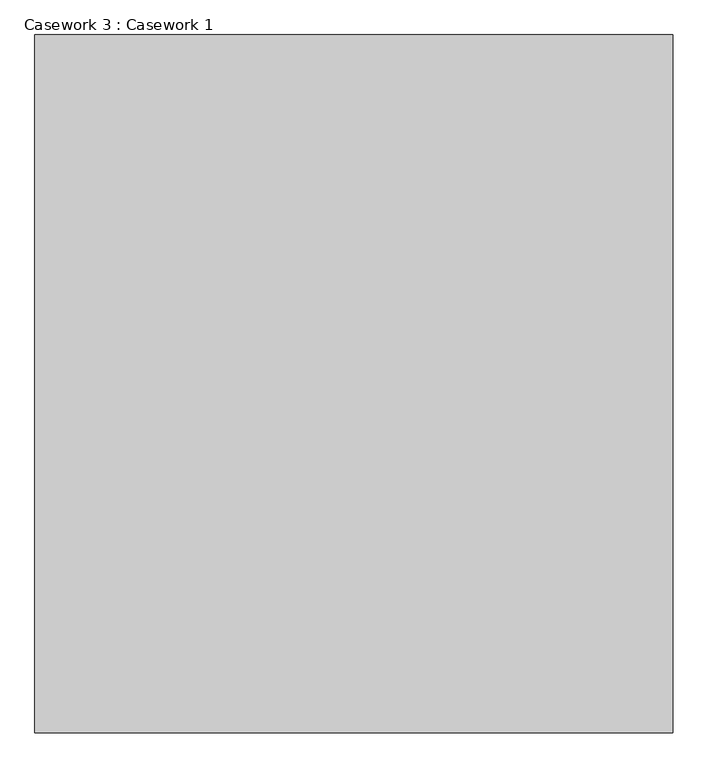
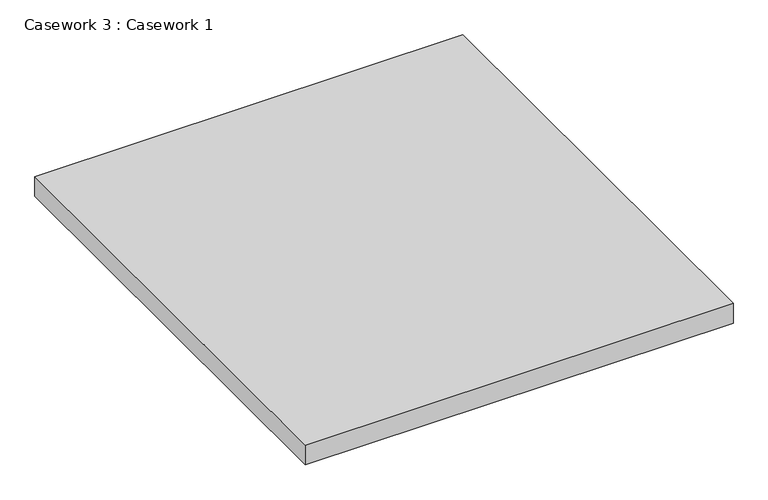
"""IFC4 building model written with IfcOpenShell, lengths in millimetres: furniture geometry, Casework 3 : Casework 1."""

import ifcopenshell
import ifcopenshell.guid

model = None  # the IFC model being written
_history = None  # IfcOwnerHistory: only IFC2X3 demands one
_inside = {}  # id of a spatial element -> (the spatial element, [elements in it])
_under = {}  # id of a project, library or spatial element -> (it, [spatial elements below it])
_declared = {}  # id of a project -> (the project, [libraries it declares])
_typed = {}  # id of a type object -> (the type object, [elements of that type])
_made_of = {}  # id of a material, layer set ... -> (it, [elements and type objects made of it])


def new_model(schema):
    """Start an empty IFC model of exactly this schema.

    Asked for "IFC4X3", IfcOpenShell would pick the latest addendum, in which some entities
    have other attributes; the version numbers below select the first issue.
    IFC2X3 requires an IfcOwnerHistory on every rooted entity: one is made here for all.
    """
    global model, _history
    if schema == "IFC4X3":
        model = ifcopenshell.file(schema_version=(4, 3, 0, 0))
    else:
        model = ifcopenshell.file(schema=schema)
    _inside.clear()
    _under.clear()
    _declared.clear()
    _typed.clear()
    _made_of.clear()
    _history = None
    if model.schema == "IFC2X3":
        org = make("IfcOrganization", Name="unknown")
        user = make(
            "IfcPersonAndOrganization",
            ThePerson=make("IfcPerson", FamilyName="unknown"),
            TheOrganization=org,
        )
        app = make(
            "IfcApplication",
            ApplicationDeveloper=org,
            Version="unknown",
            ApplicationFullName="unknown",
            ApplicationIdentifier="unknown",
        )
        _history = make(
            "IfcOwnerHistory",
            OwningUser=user,
            OwningApplication=app,
            ChangeAction="ADDED",
            CreationDate=0,
        )
    return model


def make(cls, **values):
    """One entity of the class cls with the attributes given. An attribute that is None is left unset."""
    return model.create_entity(
        cls, **{name: value for name, value in values.items() if value is not None}
    )


def rooted(cls, **values):
    """An entity with a GlobalId (a new one), such as an element, a storey or a relation."""
    return make(cls, GlobalId=ifcopenshell.guid.new(), OwnerHistory=_history, **values)


def si_unit(unit_type, name, prefix=None):
    """IfcSIUnit, for example si_unit("LENGTHUNIT", "METRE", prefix="MILLI")."""
    return make("IfcSIUnit", UnitType=unit_type, Prefix=prefix, Name=name)


def assignment(units):
    """IfcUnitAssignment: the units of a project."""
    return None if units is None else make("IfcUnitAssignment", Units=units)


def point(xyz):
    """IfcCartesianPoint."""
    return None if xyz is None else make("IfcCartesianPoint", Coordinates=xyz)


def direction(xyz):
    """IfcDirection."""
    return None if xyz is None else make("IfcDirection", DirectionRatios=xyz)


def frame(location, z_axis=None, x_axis=None):
    """IfcAxis2Placement3D, a coordinate frame: its origin and axes. An axis left out is left unset."""
    return make(
        "IfcAxis2Placement3D",
        Location=point(location),
        Axis=direction(z_axis),
        RefDirection=direction(x_axis),
    )


def origin():
    """The frame at (0, 0, 0) with its axes left unset."""
    return frame((0.0, 0.0, 0.0))


def place(relative_to, where):
    """IfcLocalPlacement: puts the frame where relative to a parent placement (None: the world)."""
    return make(
        "IfcLocalPlacement", PlacementRelTo=relative_to, RelativePlacement=where
    )


def context(
    kind, dimensions, precision=None, world=None, true_north=None, identifier=None
):
    """IfcGeometricRepresentationContext, for example the 3D "Model" context."""
    return make(
        "IfcGeometricRepresentationContext",
        ContextIdentifier=identifier,
        ContextType=kind,
        CoordinateSpaceDimension=dimensions,
        Precision=precision,
        WorldCoordinateSystem=world,
        TrueNorth=true_north,
    )


def project(units=None, contexts=None):
    """IfcProject with its units and contexts."""
    return rooted(
        "IfcProject",
        Name="project",
        RepresentationContexts=contexts,
        UnitsInContext=assignment(units),
    )


def spatial(cls, under=None, at=None, **own):
    """A site, building, storey or space (cls), placed at a placement, below another one or the project."""
    s = rooted(cls, ObjectPlacement=at, **own)
    if under is not None:
        _under.setdefault(under.id(), (under, []))[1].append(s)
    return s


def polyline(points):
    """IfcPolyline through the points."""
    return make("IfcPolyline", Points=[point(p) for p in points])


def outline(outer, holes=None, kind="AREA"):
    """IfcArbitraryClosedProfileDef: a profile drawn as a closed curve; with holes, ...WithVoids."""
    if holes is None:
        return make("IfcArbitraryClosedProfileDef", ProfileType=kind, OuterCurve=outer)
    return make(
        "IfcArbitraryProfileDefWithVoids",
        ProfileType=kind,
        OuterCurve=outer,
        InnerCurves=holes,
    )


def extrude(swept, where, along, depth):
    """IfcExtrudedAreaSolid: the profile swept, set in the frame where, extruded along a direction by depth."""
    return make(
        "IfcExtrudedAreaSolid",
        SweptArea=swept,
        Position=where,
        ExtrudedDirection=direction(along),
        Depth=depth,
    )


def shape(context_of_items, identifier, shape_type, items):
    """IfcShapeRepresentation: the items that make up one representation, for example the "Body"."""
    return make(
        "IfcShapeRepresentation",
        ContextOfItems=context_of_items,
        RepresentationIdentifier=identifier,
        RepresentationType=shape_type,
        Items=items,
    )


def source(mapping_origin, context_of_items, identifier, shape_type, items):
    """IfcRepresentationMap: a shape defined once, which mapped items show again and again."""
    return make(
        "IfcRepresentationMap",
        MappingOrigin=mapping_origin,
        MappedRepresentation=shape(context_of_items, identifier, shape_type, items),
    )


def transform(
    local_origin,
    x_axis=None,
    y_axis=None,
    z_axis=None,
    scale=None,
    scale2=None,
    scale3=None,
    uniform=True,
):
    """IfcCartesianTransformationOperator3D, or its non-uniform kind. x_axis, y_axis, z_axis: its Axis1, 2, 3."""
    if uniform:
        return make(
            "IfcCartesianTransformationOperator3D",
            Axis1=direction(x_axis),
            Axis2=direction(y_axis),
            LocalOrigin=point(local_origin),
            Scale=scale,
            Axis3=direction(z_axis),
        )
    return make(
        "IfcCartesianTransformationOperator3DnonUniform",
        Axis1=direction(x_axis),
        Axis2=direction(y_axis),
        LocalOrigin=point(local_origin),
        Scale=scale,
        Axis3=direction(z_axis),
        Scale2=scale2,
        Scale3=scale3,
    )


def mapped(mapping_source, mapping_target):
    """IfcMappedItem: shows the shape of a source again, moved by a transform."""
    return make(
        "IfcMappedItem", MappingSource=mapping_source, MappingTarget=mapping_target
    )


def made_of(thing, what):
    """Note that an element or type object is made of a material, layer set ...; save() writes the relation."""
    if what is not None:
        _made_of.setdefault(what.id(), (what, []))[1].append(thing)
    return thing


def element(
    cls,
    number,
    at=None,
    inside=None,
    cuts=None,
    type_object=None,
    material=None,
    context=None,
    identifier="Body",
    shape_type=None,
    held_by="IfcProductDefinitionShape",
    body=None,
    shapes=None,
    **own,
):
    """One element of the class cls, such as IfcWall. Its Tag is "e" and its number.

    at: its placement. inside: the storey or other place that contains it. cuts: it is an
    opening in that element (IfcRelVoidsElement). A single representation is given by context,
    identifier, shape_type and body (its items); several are given by shapes. held_by: the class
    of the entity that holds the representations. save() writes the other relations.
    """
    e = rooted(cls, Tag="e%d" % number, ObjectPlacement=at, **own)
    if body is not None:
        shapes = [shape(context, identifier, shape_type, body)]
    if shapes is not None:
        e.Representation = make(held_by, Representations=shapes)
    if inside is not None:
        _inside.setdefault(inside.id(), (inside, []))[1].append(e)
    if cuts is not None:
        rooted(
            "IfcRelVoidsElement", RelatingBuildingElement=cuts, RelatedOpeningElement=e
        )
    if type_object is not None:
        _typed.setdefault(type_object.id(), (type_object, []))[1].append(e)
    return made_of(e, material)


def aggregate(whole, parts):
    """IfcRelAggregates: a whole, such as a stair, and the parts it consists of."""
    return rooted("IfcRelAggregates", RelatingObject=whole, RelatedObjects=parts)


def save(model, path):
    """Write the relations noted so far, then the file.

    IfcRelAggregates (storeys below a building ...), IfcRelContainedInSpatialStructure (elements
    in a storey), IfcRelDefinesByType, IfcRelAssociatesMaterial and IfcRelDeclares: one each for
    every whole, place, type object, material and project.
    """
    for whole, parts in _under.values():
        aggregate(whole, parts)
    for where, things in _inside.values():
        rooted(
            "IfcRelContainedInSpatialStructure",
            RelatedElements=things,
            RelatingStructure=where,
        )
    for kind, things in _typed.values():
        rooted("IfcRelDefinesByType", RelatedObjects=things, RelatingType=kind)
    for what, things in _made_of.values():
        rooted("IfcRelAssociatesMaterial", RelatedObjects=things, RelatingMaterial=what)
    for by, libraries in _declared.values():
        rooted("IfcRelDeclares", RelatingContext=by, RelatedDefinitions=libraries)
    model.write(path)


def casework_3_casework_1_e900bd6a(model_context):
    return source(origin(), model_context, "Body", "SweptSolid", [
        extrude(outline(polyline([(-142845.0624218, -25584.9705529), (-142845.0624218, -26793.4481329), (-143949.9624218, -26793.4481329), (-143949.9624218, -25584.9705529), (-142845.0624218, -25584.9705529)])), frame((0.0, 0.0, 697.520712), z_axis=(0.0, 0.0, 1.0), x_axis=(1.0, 0.0, 0.0)), (0.0, 0.0, 1.0), 54.1581791),
    ])


if __name__ == "__main__":
    model = new_model("IFC4")
    model_context = context("Model", 3, world=origin())
    ifc_project = project(units=[si_unit("LENGTHUNIT", "METRE", prefix="MILLI")], contexts=[model_context])
    site = spatial("IfcSite", under=ifc_project)
    building = spatial("IfcBuilding", under=site)
    placement = place(None, origin())
    casework_3_casework_1_shape = casework_3_casework_1_e900bd6a(model_context)
    element("IfcFurniture", 1, ObjectType="Casework 3 : Casework 1", at=placement, inside=building, context=model_context, shape_type="MappedRepresentation", body=[
        mapped(casework_3_casework_1_shape, transform((0.0, 0.0, 0.0), x_axis=(1.0, 0.0, 0.0), y_axis=(0.0, 1.0, 0.0), z_axis=(0.0, 0.0, 1.0))),
    ])
    save(model, "model.ifc")
